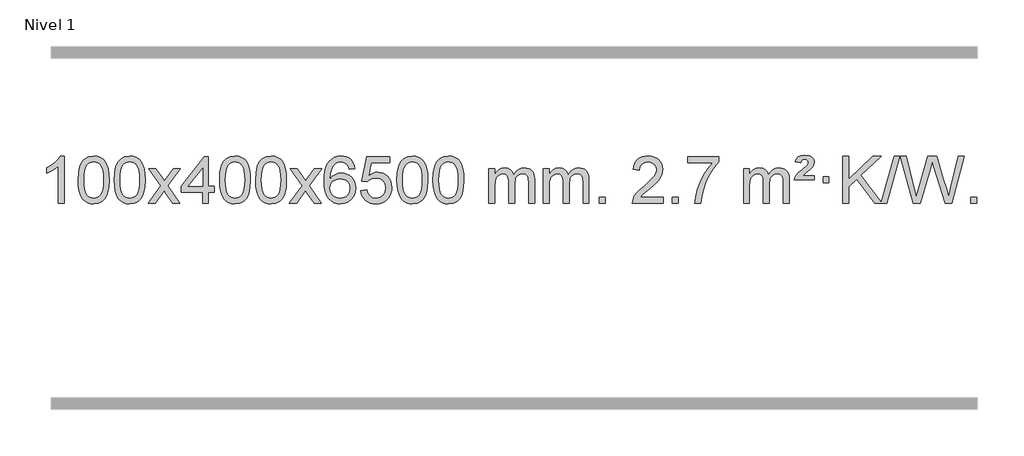
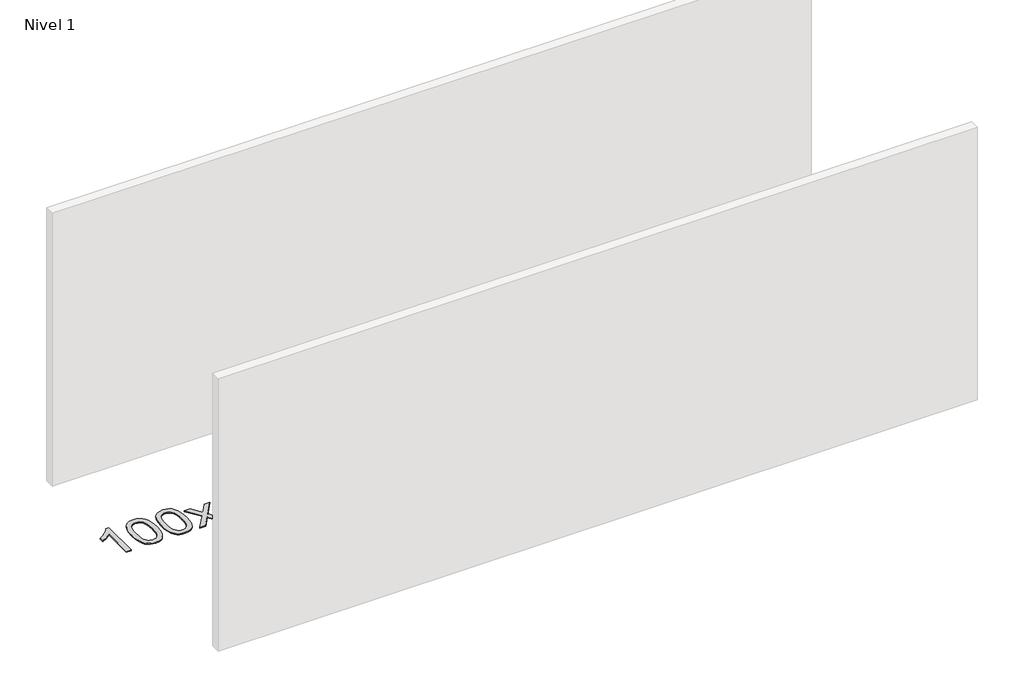
# One storey, part 3 of 25: 1 proxy.
"""IFC4 building model written with IfcOpenShell, lengths in millimetres."""

from ifc_helpers import new_model, si_unit, origin, origin_with_axes, place, context, project, spatial, polyline, outline, extrude, element, save

model = new_model("IFC4")

# Units and contexts
model_context = context("Model", 3, world=origin())
ifc_project = project(units=[si_unit("LENGTHUNIT", "METRE", prefix="MILLI")], contexts=[model_context])

# Site, building, storey
site = spatial("IfcSite", under=ifc_project)
building = spatial("IfcBuilding", under=site)
storey = spatial("IfcBuildingStorey", under=building, Name="Nivel 1", Elevation=0.0)

# Proxy
placement = place(None, origin())
element("IfcBuildingElementProxy", 1, Name="Texto de modelo 1", ObjectType="Texto de modelo 1", at=placement, inside=storey, context=model_context, shape_type="SweptSolid", body=[
    extrude(outline(polyline([(-12921.6378538, -18485.579453), (-12971.8660089, -18485.579453), (-12971.8660089, -18172.4382987), (-12992.8352826, -18189.3976587), (-13019.4454136, -18206.3324932), (-13072.3223191, -18231.6918254), (-13072.3223191, -18184.2105225), (-13032.8731065, -18162.7507395), (-12998.6968691, -18137.219729), (-12971.7556443, -18110.0700378), (-12954.0114694, -18083.7542124), (-12921.6378538, -18083.7542124), (-12921.6378538, -18485.579453)])), origin_with_axes(), (0.0, 0.0, 1.0), 10.0),
    extrude(outline(polyline([(-12802.3459855, -18287.9041943), (-12798.6549029, -18223.5861588), (-12787.5816548, -18172.2911459), (-12769.236606, -18133.2343407), (-12757.378543, -18118.0009605), (-12743.730121, -18105.6309284), (-12728.2453547, -18096.0598651), (-12710.8782588, -18089.2233914), (-12670.4970785, -18083.7542124), (-12639.5459399, -18086.991574), (-12611.832163, -18096.7036586), (-12588.6555973, -18112.5103217), (-12571.3160926, -18134.0314184), (-12558.2194935, -18161.0830078), (-12547.7716449, -18193.4811488), (-12540.9290398, -18234.6226186), (-12538.6481714, -18287.9041943), (-12542.3024659, -18351.8543477), (-12553.2653493, -18403.0267333), (-12571.5000336, -18442.1203266), (-12583.3305054, -18457.3996922), (-12596.9697304, -18469.8341036), (-12612.4728908, -18479.4695462), (-12629.8951689, -18486.3520052), (-12670.4970785, -18491.8579724), (-12698.1618045, -18489.4667394), (-12722.6872709, -18482.2930405), (-12744.0734775, -18470.3368757), (-12762.3204245, -18453.5982449), (-12779.8316074, -18423.3399508), (-12792.3395953, -18385.6381776), (-12799.844388, -18340.4929255), (-12802.3459855, -18287.9041943)]), holes=[polyline([(-12752.1178305, -18287.8060924), (-12750.6463025, -18331.4706195), (-12746.2317185, -18366.8148822), (-12738.8740786, -18393.8388804), (-12728.5733828, -18412.5426142), (-12716.1144459, -18425.2682656), (-12702.2820829, -18434.3580165), (-12687.0762937, -18439.8118671), (-12670.4970785, -18441.6298173), (-12653.9178632, -18439.8057357), (-12638.7120741, -18434.3334911), (-12624.8797111, -18425.2130833), (-12612.4207742, -18412.4445124), (-12602.1200783, -18393.7101217), (-12594.7624384, -18366.6922549), (-12590.3478545, -18331.3909118), (-12588.8763265, -18287.8060924), (-12590.2988035, -18245.2973278), (-12594.5662347, -18210.5753989), (-12601.6786199, -18183.6403055), (-12611.6359592, -18164.4920476), (-12623.8864297, -18151.1440625), (-12637.8782082, -18141.6097875), (-12653.6112949, -18135.8892225), (-12671.0856897, -18133.9823675), (-12687.5790658, -18135.6623619), (-12702.5273375, -18140.7023452), (-12715.9305049, -18149.1023175), (-12727.7885679, -18160.8622786), (-12738.4326203, -18181.708925), (-12746.0355148, -18209.8151094), (-12750.5972516, -18245.1808319), (-12752.1178305, -18287.8060924)])]), origin_with_axes(), (0.0, 0.0, 1.0), 10.0),
    extrude(outline(polyline([(-12494.6985357, -18287.9041943), (-12491.007453, -18223.5861588), (-12479.934205, -18172.2911459), (-12461.5891561, -18133.2343407), (-12449.7310932, -18118.0009605), (-12436.0826711, -18105.6309284), (-12420.5979048, -18096.0598651), (-12403.230809, -18089.2233914), (-12362.8496286, -18083.7542124), (-12331.8984901, -18086.991574), (-12304.1847131, -18096.7036586), (-12281.0081474, -18112.5103217), (-12263.6686427, -18134.0314184), (-12250.5720437, -18161.0830078), (-12240.1241951, -18193.4811488), (-12233.2815899, -18234.6226186), (-12231.0007216, -18287.9041943), (-12234.6550161, -18351.8543477), (-12245.6178995, -18403.0267333), (-12263.8525837, -18442.1203266), (-12275.6830556, -18457.3996922), (-12289.3222805, -18469.8341036), (-12304.825441, -18479.4695462), (-12322.2477191, -18486.3520052), (-12362.8496286, -18491.8579724), (-12390.5143547, -18489.4667394), (-12415.039821, -18482.2930405), (-12436.4260277, -18470.3368757), (-12454.6729746, -18453.5982449), (-12472.1841576, -18423.3399508), (-12484.6921454, -18385.6381776), (-12492.1969381, -18340.4929255), (-12494.6985357, -18287.9041943)]), holes=[polyline([(-12444.4703806, -18287.8060924), (-12442.9988527, -18331.4706195), (-12438.5842687, -18366.8148822), (-12431.2266288, -18393.8388804), (-12420.9259329, -18412.5426142), (-12408.466996, -18425.2682656), (-12394.634633, -18434.3580165), (-12379.4288439, -18439.8118671), (-12362.8496286, -18441.6298173), (-12346.2704134, -18439.8057357), (-12331.0646243, -18434.3334911), (-12317.2322612, -18425.2130833), (-12304.7733243, -18412.4445124), (-12294.4726285, -18393.7101217), (-12287.1149886, -18366.6922549), (-12282.7004046, -18331.3909118), (-12281.2288766, -18287.8060924), (-12282.6513537, -18245.2973278), (-12286.9187848, -18210.5753989), (-12294.0311701, -18183.6403055), (-12303.9885094, -18164.4920476), (-12316.2389799, -18151.1440625), (-12330.2307584, -18141.6097875), (-12345.9638451, -18135.8892225), (-12363.4382398, -18133.9823675), (-12379.931616, -18135.6623619), (-12394.8798877, -18140.7023452), (-12408.283055, -18149.1023175), (-12420.141118, -18160.8622786), (-12430.7851704, -18181.708925), (-12438.388065, -18209.8151094), (-12442.9498017, -18245.1808319), (-12444.4703806, -18287.8060924)])]), origin_with_axes(), (0.0, 0.0, 1.0), 10.0),
    extrude(outline(polyline([(-12205.886644, -18485.579453), (-12098.5632033, -18337.1513307), (-12199.6081246, -18190.4890419), (-12139.3735793, -18190.4890419), (-12090.6169522, -18261.2204869), (-12067.7592176, -18294.4770192), (-12047.9426408, -18267.2047007), (-11992.416985, -18190.4890419), (-11931.9862359, -18190.4890419), (-12038.1324542, -18337.2494325), (-11935.9103105, -18485.579453), (-11996.2429577, -18485.579453), (-12057.8509292, -18396.3067555), (-12069.0345418, -18379.923744), (-12145.455895, -18485.579453), (-12205.886644, -18485.579453)])), origin_with_axes(), (0.0, 0.0, 1.0), 10.0),
    extrude(outline(polyline([(-11741.2762096, -18485.579453), (-11741.2762096, -18391.4016622), (-11923.3532717, -18391.4016622), (-11923.3532717, -18341.1735072), (-11728.7191708, -18090.0327318), (-11691.0480545, -18090.0327318), (-11691.0480545, -18341.1735072), (-11640.8198994, -18341.1735072), (-11640.8198994, -18391.4016622), (-11691.0480545, -18391.4016622), (-11691.0480545, -18485.579453), (-11741.2762096, -18485.579453)]), holes=[polyline([(-11741.2762096, -18341.1735072), (-11741.2762096, -18185.9763561), (-11861.5490965, -18341.1735072), (-11741.2762096, -18341.1735072)])]), origin_with_axes(), (0.0, 0.0, 1.0), 10.0),
    extrude(outline(polyline([(-11596.8702638, -18287.9041943), (-11593.1791811, -18223.5861588), (-11582.105933, -18172.2911459), (-11563.7608842, -18133.2343407), (-11551.9028212, -18118.0009605), (-11538.2543992, -18105.6309284), (-11522.7696329, -18096.0598651), (-11505.402537, -18089.2233914), (-11465.0213567, -18083.7542124), (-11434.0702182, -18086.991574), (-11406.3564412, -18096.7036586), (-11383.1798755, -18112.5103217), (-11365.8403708, -18134.0314184), (-11352.7437718, -18161.0830078), (-11342.2959231, -18193.4811488), (-11335.453318, -18234.6226186), (-11333.1724496, -18287.9041943), (-11336.8267441, -18351.8543477), (-11347.7896275, -18403.0267333), (-11366.0243118, -18442.1203266), (-11377.8547836, -18457.3996922), (-11391.4940086, -18469.8341036), (-11406.997169, -18479.4695462), (-11424.4194471, -18486.3520052), (-11465.0213567, -18491.8579724), (-11492.6860827, -18489.4667394), (-11517.2115491, -18482.2930405), (-11538.5977557, -18470.3368757), (-11556.8447027, -18453.5982449), (-11574.3558856, -18423.3399508), (-11586.8638735, -18385.6381776), (-11594.3686662, -18340.4929255), (-11596.8702638, -18287.9041943)]), holes=[polyline([(-11546.6421087, -18287.8060924), (-11545.1705807, -18331.4706195), (-11540.7559968, -18366.8148822), (-11533.3983568, -18393.8388804), (-11523.097661, -18412.5426142), (-11510.6387241, -18425.2682656), (-11496.8063611, -18434.3580165), (-11481.6005719, -18439.8118671), (-11465.0213567, -18441.6298173), (-11448.4421414, -18439.8057357), (-11433.2363523, -18434.3334911), (-11419.4039893, -18425.2130833), (-11406.9450524, -18412.4445124), (-11396.6443565, -18393.7101217), (-11389.2867166, -18366.6922549), (-11384.8721327, -18331.3909118), (-11383.4006047, -18287.8060924), (-11384.8230817, -18245.2973278), (-11389.0905129, -18210.5753989), (-11396.2028981, -18183.6403055), (-11406.1602375, -18164.4920476), (-11418.4107079, -18151.1440625), (-11432.4024864, -18141.6097875), (-11448.1355731, -18135.8892225), (-11465.6099679, -18133.9823675), (-11482.103344, -18135.6623619), (-11497.0516157, -18140.7023452), (-11510.4547831, -18149.1023175), (-11522.3128461, -18160.8622786), (-11532.9568985, -18181.708925), (-11540.559793, -18209.8151094), (-11545.1215298, -18245.1808319), (-11546.6421087, -18287.8060924)])]), origin_with_axes(), (0.0, 0.0, 1.0), 10.0),
    extrude(outline(polyline([(-11289.2228139, -18287.9041943), (-11285.5317312, -18223.5861588), (-11274.4584832, -18172.2911459), (-11256.1134344, -18133.2343407), (-11244.2553714, -18118.0009605), (-11230.6069494, -18105.6309284), (-11215.122183, -18096.0598651), (-11197.7550872, -18089.2233914), (-11157.3739068, -18083.7542124), (-11126.4227683, -18086.991574), (-11098.7089913, -18096.7036586), (-11075.5324257, -18112.5103217), (-11058.1929209, -18134.0314184), (-11045.0963219, -18161.0830078), (-11034.6484733, -18193.4811488), (-11027.8058681, -18234.6226186), (-11025.5249998, -18287.9041943), (-11029.1792943, -18351.8543477), (-11040.1421777, -18403.0267333), (-11058.3768619, -18442.1203266), (-11070.2073338, -18457.3996922), (-11083.8465587, -18469.8341036), (-11099.3497192, -18479.4695462), (-11116.7719973, -18486.3520052), (-11157.3739068, -18491.8579724), (-11185.0386329, -18489.4667394), (-11209.5640992, -18482.2930405), (-11230.9503059, -18470.3368757), (-11249.1972528, -18453.5982449), (-11266.7084358, -18423.3399508), (-11279.2164236, -18385.6381776), (-11286.7212164, -18340.4929255), (-11289.2228139, -18287.9041943)]), holes=[polyline([(-11238.9946588, -18287.8060924), (-11237.5231309, -18331.4706195), (-11233.1085469, -18366.8148822), (-11225.750907, -18393.8388804), (-11215.4502112, -18412.5426142), (-11202.9912742, -18425.2682656), (-11189.1589112, -18434.3580165), (-11173.9531221, -18439.8118671), (-11157.3739068, -18441.6298173), (-11140.7946916, -18439.8057357), (-11125.5889025, -18434.3334911), (-11111.7565394, -18425.2130833), (-11099.2976025, -18412.4445124), (-11088.9969067, -18393.7101217), (-11081.6392668, -18366.6922549), (-11077.2246828, -18331.3909118), (-11075.7531548, -18287.8060924), (-11077.1756319, -18245.2973278), (-11081.443063, -18210.5753989), (-11088.5554483, -18183.6403055), (-11098.5127876, -18164.4920476), (-11110.7632581, -18151.1440625), (-11124.7550366, -18141.6097875), (-11140.4881233, -18135.8892225), (-11157.962518, -18133.9823675), (-11174.4558942, -18135.6623619), (-11189.4041659, -18140.7023452), (-11202.8073333, -18149.1023175), (-11214.6653962, -18160.8622786), (-11225.3094486, -18181.708925), (-11232.9123432, -18209.8151094), (-11237.4740799, -18245.1808319), (-11238.9946588, -18287.8060924)])]), origin_with_axes(), (0.0, 0.0, 1.0), 10.0),
    extrude(outline(polyline([(-11000.4109222, -18485.579453), (-10893.0874815, -18337.1513307), (-10994.1324029, -18190.4890419), (-10933.8978575, -18190.4890419), (-10885.1412304, -18261.2204869), (-10862.2834958, -18294.4770192), (-10842.466919, -18267.2047007), (-10786.9412632, -18190.4890419), (-10726.5105141, -18190.4890419), (-10832.6567324, -18337.2494325), (-10730.4345887, -18485.579453), (-10790.7672359, -18485.579453), (-10852.3752074, -18396.3067555), (-10863.55882, -18379.923744), (-10939.9801732, -18485.579453), (-11000.4109222, -18485.579453)])), origin_with_axes(), (0.0, 0.0, 1.0), 10.0),
    extrude(outline(polyline([(-10441.622697, -18190.4890419), (-10491.8508521, -18196.7675613), (-10499.944256, -18171.874213), (-10510.882614, -18154.8780648), (-10533.6667722, -18139.2062918), (-10561.2088709, -18133.9823675), (-10584.5571149, -18137.0235253), (-10606.5319327, -18146.1469988), (-10625.4042791, -18165.3627017), (-10640.8185347, -18191.8134171), (-10651.2295951, -18229.227016), (-10655.0923561, -18281.3313693), (-10634.9446855, -18257.8237098), (-10610.7993639, -18241.2567573), (-10584.0052919, -18231.434308), (-10555.9113702, -18228.1601582), (-10531.7783113, -18230.398107), (-10509.5091879, -18237.1119534), (-10489.1039999, -18248.3016975), (-10470.5627473, -18263.9673391), (-10455.1546231, -18283.1769106), (-10444.1488201, -18304.9984443), (-10437.5453383, -18329.4319401), (-10435.3441776, -18356.4773982), (-10439.4889815, -18392.4439945), (-10451.9233929, -18425.786366), (-10471.6173424, -18454.0642287), (-10497.5407603, -18474.8372987), (-10528.5164243, -18487.602804), (-10563.367112, -18491.8579724), (-10593.3096407, -18489.0375437), (-10620.352033, -18480.5762579), (-10644.494289, -18466.4741147), (-10665.7364085, -18446.7311143), (-10683.0544534, -18420.5133908), (-10695.4244855, -18386.9870783), (-10702.8465048, -18346.1521768), (-10705.3205112, -18298.0086864), (-10702.5736589, -18244.0342663), (-10694.3331023, -18197.9693092), (-10680.5988411, -18159.8138149), (-10661.3708755, -18129.5677835), (-10640.5303605, -18109.5243462), (-10616.3666447, -18095.2076052), (-10588.8797283, -18086.6175606), (-10558.0696112, -18083.7542124), (-10534.9359651, -18085.5261773), (-10513.9973482, -18090.8420722), (-10495.2537606, -18099.7018969), (-10478.7052021, -18112.1056515), (-10464.7992627, -18127.6364031), (-10453.9835321, -18145.8772186), (-10446.2580102, -18166.8280983), (-10441.622697, -18190.4890419)]), holes=[polyline([(-10655.0923561, -18355.6925832), (-10652.1860883, -18377.9494439), (-10643.4672851, -18399.2007605), (-10629.9292276, -18417.472233), (-10612.5651975, -18430.7895612), (-10591.6081865, -18438.9197533), (-10567.2911866, -18441.6298173), (-10534.1450188, -18436.0134855), (-10520.2298823, -18428.9930708), (-10508.0867108, -18419.1644901), (-10498.2366704, -18406.9262824), (-10491.2009272, -18392.6769865), (-10485.5723327, -18358.1451299), (-10491.1273508, -18324.9989621), (-10498.0711235, -18311.3781312), (-10507.7924052, -18299.725469), (-10519.972365, -18290.3904634), (-10534.2921716, -18283.7226022), (-10569.3513258, -18278.3883133), (-10602.4484426, -18283.7226022), (-10630.1254314, -18299.725469), (-10641.0484609, -18311.2248471), (-10648.8506249, -18324.3858254), (-10653.5319233, -18339.2084042), (-10655.0923561, -18355.6925832)])]), origin_with_axes(), (0.0, 0.0, 1.0), 10.0),
    extrude(outline(polyline([(-10391.394542, -18378.8446235), (-10341.1663869, -18372.5661041), (-10331.9448115, -18402.7201649), (-10315.8561056, -18424.3148381), (-10292.9738455, -18437.3010725), (-10263.3716076, -18441.6298173), (-10244.2417439, -18440.1245668), (-10227.368223, -18435.6088153), (-10212.7510451, -18428.0825628), (-10200.3902101, -18417.5458094), (-10190.5616294, -18404.519721), (-10183.5412147, -18389.5254641), (-10177.9248829, -18353.6324441), (-10183.1855954, -18319.8363514), (-10189.7614861, -18305.9181493), (-10198.967733, -18293.9865099), (-10210.834993, -18284.4154467), (-10225.393923, -18277.5789729), (-10262.5867927, -18272.1097939), (-10286.9528435, -18274.2925604), (-10306.6835812, -18280.8408599), (-10322.4411933, -18290.8717757), (-10334.8878675, -18303.5023908), (-10385.1160226, -18297.2238715), (-10341.1663869, -18090.0327318), (-10146.532286, -18090.0327318), (-10146.532286, -18140.2608869), (-10300.5522146, -18140.2608869), (-10322.134625, -18250.919791), (-10304.4088442, -18238.2155994), (-10286.2538677, -18229.1411769), (-10267.6696956, -18223.6965234), (-10248.6563278, -18221.8816388), (-10224.1921751, -18224.1318504), (-10201.7145852, -18230.882485), (-10181.2235581, -18242.1335427), (-10162.7190938, -18257.8850234), (-10147.3968087, -18277.1743027), (-10136.4523193, -18299.038756), (-10129.8856257, -18323.4783832), (-10127.6967278, -18350.4931844), (-10129.6648965, -18376.5147042), (-10135.5694025, -18400.7213394), (-10145.4102459, -18423.1130902), (-10159.1874266, -18443.6899565), (-10180.0585985, -18464.7634634), (-10204.4123865, -18479.8159684), (-10232.2487908, -18488.8474714), (-10263.5678114, -18491.8579724), (-10289.4881636, -18489.9235262), (-10312.9007869, -18484.1201877), (-10333.8056813, -18474.447957), (-10352.2028467, -18460.9068338), (-10367.5098034, -18444.1712688), (-10379.1440715, -18424.915712), (-10387.105651, -18403.1401636), (-10391.394542, -18378.8446235)])), origin_with_axes(), (0.0, 0.0, 1.0), 10.0),
    extrude(outline(polyline([(-10083.7470921, -18287.9041943), (-10080.0560094, -18223.5861588), (-10068.9827614, -18172.2911459), (-10050.6377126, -18133.2343407), (-10038.7796496, -18118.0009605), (-10025.1312276, -18105.6309284), (-10009.6464612, -18096.0598651), (-9992.2793654, -18089.2233914), (-9951.8981851, -18083.7542124), (-9920.9470465, -18086.991574), (-9893.2332696, -18096.7036586), (-9870.0567039, -18112.5103217), (-9852.7171992, -18134.0314184), (-9839.6206001, -18161.0830078), (-9829.1727515, -18193.4811488), (-9822.3301463, -18234.6226186), (-9820.049278, -18287.9041943), (-9823.7035725, -18351.8543477), (-9834.6664559, -18403.0267333), (-9852.9011401, -18442.1203266), (-9864.731612, -18457.3996922), (-9878.3708369, -18469.8341036), (-9893.8739974, -18479.4695462), (-9911.2962755, -18486.3520052), (-9951.8981851, -18491.8579724), (-9979.5629111, -18489.4667394), (-10004.0883774, -18482.2930405), (-10025.4745841, -18470.3368757), (-10043.721531, -18453.5982449), (-10061.232714, -18423.3399508), (-10073.7407019, -18385.6381776), (-10081.2454946, -18340.4929255), (-10083.7470921, -18287.9041943)]), holes=[polyline([(-10033.518937, -18287.8060924), (-10032.0474091, -18331.4706195), (-10027.6328251, -18366.8148822), (-10020.2751852, -18393.8388804), (-10009.9744894, -18412.5426142), (-9997.5155525, -18425.2682656), (-9983.6831894, -18434.3580165), (-9968.4774003, -18439.8118671), (-9951.8981851, -18441.6298173), (-9935.3189698, -18439.8057357), (-9920.1131807, -18434.3334911), (-9906.2808176, -18425.2130833), (-9893.8218807, -18412.4445124), (-9883.5211849, -18393.7101217), (-9876.163545, -18366.6922549), (-9871.748961, -18331.3909118), (-9870.2774331, -18287.8060924), (-9871.6999101, -18245.2973278), (-9875.9673412, -18210.5753989), (-9883.0797265, -18183.6403055), (-9893.0370658, -18164.4920476), (-9905.2875363, -18151.1440625), (-9919.2793148, -18141.6097875), (-9935.0124015, -18135.8892225), (-9952.4867962, -18133.9823675), (-9968.9801724, -18135.6623619), (-9983.9284441, -18140.7023452), (-9997.3316115, -18149.1023175), (-10009.1896744, -18160.8622786), (-10019.8337268, -18181.708925), (-10027.4366214, -18209.8151094), (-10031.9983581, -18245.1808319), (-10033.518937, -18287.8060924)])]), origin_with_axes(), (0.0, 0.0, 1.0), 10.0),
    extrude(outline(polyline([(-9776.0996423, -18287.9041943), (-9772.4085596, -18223.5861588), (-9761.3353115, -18172.2911459), (-9742.9902627, -18133.2343407), (-9731.1321997, -18118.0009605), (-9717.4837777, -18105.6309284), (-9701.9990114, -18096.0598651), (-9684.6319156, -18089.2233914), (-9644.2507352, -18083.7542124), (-9613.2995967, -18086.991574), (-9585.5858197, -18096.7036586), (-9562.409254, -18112.5103217), (-9545.0697493, -18134.0314184), (-9531.9731503, -18161.0830078), (-9521.5253016, -18193.4811488), (-9514.6826965, -18234.6226186), (-9512.4018281, -18287.9041943), (-9516.0561226, -18351.8543477), (-9527.0190061, -18403.0267333), (-9545.2536903, -18442.1203266), (-9557.0841621, -18457.3996922), (-9570.7233871, -18469.8341036), (-9586.2265475, -18479.4695462), (-9603.6488257, -18486.3520052), (-9644.2507352, -18491.8579724), (-9671.9154613, -18489.4667394), (-9696.4409276, -18482.2930405), (-9717.8271343, -18470.3368757), (-9736.0740812, -18453.5982449), (-9753.5852642, -18423.3399508), (-9766.093252, -18385.6381776), (-9773.5980447, -18340.4929255), (-9776.0996423, -18287.9041943)]), holes=[polyline([(-9725.8714872, -18287.8060924), (-9724.3999592, -18331.4706195), (-9719.9853753, -18366.8148822), (-9712.6277354, -18393.8388804), (-9702.3270395, -18412.5426142), (-9689.8681026, -18425.2682656), (-9676.0357396, -18434.3580165), (-9660.8299505, -18439.8118671), (-9644.2507352, -18441.6298173), (-9627.67152, -18439.8057357), (-9612.4657308, -18434.3334911), (-9598.6333678, -18425.2130833), (-9586.1744309, -18412.4445124), (-9575.873735, -18393.7101217), (-9568.5160951, -18366.6922549), (-9564.1015112, -18331.3909118), (-9562.6299832, -18287.8060924), (-9564.0524603, -18245.2973278), (-9568.3198914, -18210.5753989), (-9575.4322767, -18183.6403055), (-9585.389616, -18164.4920476), (-9597.6400864, -18151.1440625), (-9611.631865, -18141.6097875), (-9627.3649516, -18135.8892225), (-9644.8393464, -18133.9823675), (-9661.3327225, -18135.6623619), (-9676.2809943, -18140.7023452), (-9689.6841616, -18149.1023175), (-9701.5422246, -18160.8622786), (-9712.186277, -18181.708925), (-9719.7891716, -18209.8151094), (-9724.3509083, -18245.1808319), (-9725.8714872, -18287.8060924)])]), origin_with_axes(), (0.0, 0.0, 1.0), 10.0),
    extrude(outline(polyline([(-9298.9321691, -18485.579453), (-9298.9321691, -18190.4890419), (-9248.704014, -18190.4890419), (-9248.704014, -18239.0494653), (-9233.5963267, -18216.7435537), (-9214.1721574, -18199.2691589), (-9191.0936936, -18187.9751816), (-9165.0231228, -18184.2105225), (-9137.0886167, -18188.048758), (-9114.6968659, -18199.5634645), (-9097.9704978, -18217.9943524), (-9087.0321399, -18242.5811324), (-9068.7238792, -18217.0439906), (-9047.8404446, -18198.803175), (-9024.3818361, -18187.8586857), (-8998.3480536, -18184.2105225), (-8978.2402368, -18185.7280358), (-8960.5910981, -18190.2805755), (-8945.4006374, -18197.8681416), (-8932.6688547, -18208.4907342), (-8922.6042164, -18222.2709806), (-8915.4151891, -18239.3315082), (-8911.1017727, -18259.6723168), (-8909.6639672, -18283.2934066), (-8909.6639672, -18485.579453), (-8959.8921223, -18485.579453), (-8959.8921223, -18304.875817), (-8961.057082, -18279.8230531), (-8964.5519609, -18262.9372695), (-8971.1002604, -18251.3735121), (-8981.4254818, -18242.2868268), (-8994.7060218, -18236.4007149), (-9010.1202774, -18234.4386776), (-9037.3312823, -18239.4663982), (-9059.5145666, -18254.54956), (-9068.1199396, -18266.1194488), (-9074.2666346, -18280.7182326), (-9079.1839906, -18319.0024856), (-9079.1839906, -18485.579453), (-9129.4121457, -18485.579453), (-9129.4121457, -18299.2840106), (-9132.3184135, -18270.8835206), (-9141.0372167, -18250.6254854), (-9156.3778959, -18238.4853796), (-9179.1497914, -18234.4386776), (-9198.5003844, -18237.1364789), (-9216.3303984, -18245.2298828), (-9231.0456782, -18258.5226856), (-9241.0520685, -18276.8186835), (-9246.7910276, -18302.2025411), (-9248.704014, -18336.7589232), (-9248.704014, -18485.579453), (-9298.9321691, -18485.579453)])), origin_with_axes(), (0.0, 0.0, 1.0), 10.0),
    extrude(outline(polyline([(-8834.3217346, -18485.579453), (-8834.3217346, -18190.4890419), (-8784.0935796, -18190.4890419), (-8784.0935796, -18239.0494653), (-8768.9858923, -18216.7435537), (-8749.5617229, -18199.2691589), (-8726.4832591, -18187.9751816), (-8700.4126884, -18184.2105225), (-8672.4781822, -18188.048758), (-8650.0864315, -18199.5634645), (-8633.3600634, -18217.9943524), (-8622.4217054, -18242.5811324), (-8604.1134448, -18217.0439906), (-8583.2300102, -18198.803175), (-8559.7714016, -18187.8586857), (-8533.7376191, -18184.2105225), (-8513.6298024, -18185.7280358), (-8495.9806637, -18190.2805755), (-8480.790203, -18197.8681416), (-8468.0584202, -18208.4907342), (-8457.993782, -18222.2709806), (-8450.8047547, -18239.3315082), (-8446.4913383, -18259.6723168), (-8445.0535328, -18283.2934066), (-8445.0535328, -18485.579453), (-8495.2816879, -18485.579453), (-8495.2816879, -18304.875817), (-8496.4466475, -18279.8230531), (-8499.9415265, -18262.9372695), (-8506.489826, -18251.3735121), (-8516.8150473, -18242.2868268), (-8530.0955874, -18236.4007149), (-8545.509843, -18234.4386776), (-8572.7208479, -18239.4663982), (-8594.9041322, -18254.54956), (-8603.5095052, -18266.1194488), (-8609.6562002, -18280.7182326), (-8614.5735562, -18319.0024856), (-8614.5735562, -18485.579453), (-8664.8017113, -18485.579453), (-8664.8017113, -18299.2840106), (-8667.707979, -18270.8835206), (-8676.4267823, -18250.6254854), (-8691.7674615, -18238.4853796), (-8714.539357, -18234.4386776), (-8733.88995, -18237.1364789), (-8751.719964, -18245.2298828), (-8766.4352438, -18258.5226856), (-8776.4416341, -18276.8186835), (-8782.1805932, -18302.2025411), (-8784.0935796, -18336.7589232), (-8784.0935796, -18485.579453), (-8834.3217346, -18485.579453)])), origin_with_axes(), (0.0, 0.0, 1.0), 10.0),
    extrude(outline(polyline([(-8357.1542614, -18485.579453), (-8357.1542614, -18435.3512979), (-8306.9261064, -18435.3512979), (-8306.9261064, -18485.579453), (-8357.1542614, -18485.579453)])), origin_with_axes(), (0.0, 0.0, 1.0), 10.0),
    extrude(outline(polyline([(-7810.923075, -18435.3512979), (-7810.923075, -18485.579453), (-8074.6208891, -18485.579453), (-8073.5172431, -18467.8965918), (-8069.2252865, -18450.9494945), (-8056.8276633, -18423.8856424), (-8038.6665555, -18397.6311307), (-8012.4120437, -18370.1503456), (-7975.7342088, -18339.4076736), (-7921.5451909, -18291.2641831), (-7889.0612108, -18255.7267824), (-7872.8376148, -18226.884834), (-7867.4297494, -18198.8277005), (-7872.5433092, -18173.6768347), (-7887.8839884, -18152.7688747), (-7911.4652243, -18138.6789943), (-7941.3004541, -18133.9823675), (-7972.6317373, -18138.5686297), (-7996.9732627, -18152.3274163), (-8012.6818239, -18174.1796068), (-8018.1142147, -18203.0460807), (-8068.3423697, -18196.7675613), (-8064.022822, -18170.838012), (-8056.1654757, -18148.1826125), (-8044.7703309, -18128.8013627), (-8029.8373876, -18112.6942627), (-8011.7100023, -18100.0329907), (-7990.7315315, -18090.989225), (-7966.9019753, -18085.5629655), (-7940.2213336, -18083.7542124), (-7913.3015686, -18085.7653006), (-7889.3432536, -18091.7985654), (-7868.3463888, -18101.8540066), (-7850.3109739, -18115.9316242), (-7835.8256204, -18132.9890861), (-7825.4789393, -18151.9840598), (-7819.2709306, -18172.9165453), (-7817.2015944, -18195.7865427), (-7819.4334118, -18219.8092369), (-7826.1288641, -18243.4149983), (-7838.0114526, -18267.4254299), (-7855.8046784, -18292.6621347), (-7884.1683802, -18322.7916701), (-7927.7623967, -18361.4805933), (-7985.5443954, -18409.795762), (-8008.2059263, -18435.3512979), (-7810.923075, -18435.3512979)])), origin_with_axes(), (0.0, 0.0, 1.0), 10.0),
    extrude(outline(polyline([(-7735.5808424, -18485.579453), (-7735.5808424, -18435.3512979), (-7685.3526873, -18435.3512979), (-7685.3526873, -18485.579453), (-7735.5808424, -18485.579453)])), origin_with_axes(), (0.0, 0.0, 1.0), 10.0),
    extrude(outline(polyline([(-7603.7319353, -18140.2608869), (-7603.7319353, -18090.0327318), (-7340.0341212, -18090.0327318), (-7340.0341212, -18130.646904), (-7377.6193983, -18178.214046), (-7414.8367935, -18238.7061088), (-7447.6641302, -18306.6048623), (-7472.079232, -18376.3920768), (-7484.0476595, -18428.6067947), (-7490.7185864, -18485.579453), (-7540.9467415, -18485.579453), (-7535.5143507, -18433.8061935), (-7520.9830119, -18372.2717985), (-7497.7451325, -18307.0463207), (-7466.19312, -18244.1998132), (-7429.3558696, -18187.3865704), (-7390.2622762, -18140.2608869), (-7603.7319353, -18140.2608869)])), origin_with_axes(), (0.0, 0.0, 1.0), 10.0),
    extrude(outline(polyline([(-7126.5644621, -18485.579453), (-7126.5644621, -18190.4890419), (-7076.336307, -18190.4890419), (-7076.336307, -18239.0494653), (-7061.2286197, -18216.7435537), (-7041.8044504, -18199.2691589), (-7018.7259866, -18187.9751816), (-6992.6554158, -18184.2105225), (-6964.7209097, -18188.048758), (-6942.3291589, -18199.5634645), (-6925.6027909, -18217.9943524), (-6914.6644329, -18242.5811324), (-6896.3561722, -18217.0439906), (-6875.4727377, -18198.803175), (-6852.0141291, -18187.8586857), (-6825.9803466, -18184.2105225), (-6805.8725298, -18185.7280358), (-6788.2233911, -18190.2805755), (-6773.0329304, -18197.8681416), (-6760.3011477, -18208.4907342), (-6750.2365094, -18222.2709806), (-6743.0474821, -18239.3315082), (-6738.7340657, -18259.6723168), (-6737.2962603, -18283.2934066), (-6737.2962603, -18485.579453), (-6787.5244153, -18485.579453), (-6787.5244153, -18304.875817), (-6788.689375, -18279.8230531), (-6792.1842539, -18262.9372695), (-6798.7325535, -18251.3735121), (-6809.0577748, -18242.2868268), (-6822.3383148, -18236.4007149), (-6837.7525704, -18234.4386776), (-6864.9635753, -18239.4663982), (-6887.1468596, -18254.54956), (-6895.7522326, -18266.1194488), (-6901.8989276, -18280.7182326), (-6906.8162836, -18319.0024856), (-6906.8162836, -18485.579453), (-6957.0444387, -18485.579453), (-6957.0444387, -18299.2840106), (-6959.9507065, -18270.8835206), (-6968.6695098, -18250.6254854), (-6984.010189, -18238.4853796), (-7006.7820845, -18234.4386776), (-7026.1326774, -18237.1364789), (-7043.9626914, -18245.2298828), (-7058.6779713, -18258.5226856), (-7068.6843615, -18276.8186835), (-7074.4233206, -18302.2025411), (-7076.336307, -18336.7589232), (-7076.336307, -18485.579453), (-7126.5644621, -18485.579453)])), origin_with_axes(), (0.0, 0.0, 1.0), 10.0),
    extrude(outline(polyline([(-6693.3466246, -18284.6668327), (-6689.5206518, -18268.8479069), (-6681.1819933, -18252.9799302), (-6659.6731593, -18227.8413272), (-6627.7164766, -18200.1030247), (-6583.5706372, -18162.726214), (-6576.4337265, -18151.1992448), (-6574.0547563, -18139.3779701), (-6575.9432172, -18127.2869152), (-6581.6085999, -18117.5012541), (-6590.977328, -18111.026531), (-6603.9758252, -18108.8682899), (-6616.4102366, -18110.4869707), (-6625.26393, -18115.343013), (-6631.6896022, -18124.8098431), (-6636.8399501, -18140.2608869), (-6687.0681052, -18133.9823675), (-6676.2278491, -18108.7701881), (-6659.5995829, -18091.2099542), (-6635.834406, -18080.9092583), (-6603.5834178, -18077.475693), (-6567.8007624, -18081.6082341), (-6543.0545668, -18094.0058573), (-6528.6335926, -18112.3386434), (-6523.8266012, -18134.2766731), (-6527.9223541, -18157.1834586), (-6540.2096127, -18178.8149199), (-6560.737428, -18198.6314968), (-6597.2067965, -18226.6886303), (-6622.8113834, -18253.2742358), (-6523.8266012, -18253.2742358), (-6523.8266012, -18284.6668327), (-6693.3466246, -18284.6668327)])), origin_with_axes(), (0.0, 0.0, 1.0), 10.0),
    extrude(outline(polyline([(-6448.4843686, -18309.7809102), (-6448.4843686, -18259.5527552), (-6398.2562135, -18259.5527552), (-6398.2562135, -18309.7809102), (-6448.4843686, -18309.7809102)])), origin_with_axes(), (0.0, 0.0, 1.0), 10.0),
    extrude(outline(polyline([(-6007.6145856, -18485.579453), (-6161.1440049, -18282.9009991), (-6228.7361901, -18347.4520265), (-6228.7361901, -18485.579453), (-6278.9643452, -18485.579453), (-6278.9643452, -18083.7542124), (-6228.7361901, -18083.7542124), (-6228.7361901, -18280.4484525), (-6022.7222728, -18083.7542124), (-5952.4813372, -18083.7542124), (-6125.5330278, -18248.9577537), (-5950.7819943, -18479.5373449), (-5839.4679883, -18083.7542124), (-5793.9487228, -18083.7542124), (-5907.0601735, -18485.579453), (-5946.2028178, -18485.579453), (-5952.4813372, -18485.579453), (-6007.6145856, -18485.579453)])), origin_with_axes(), (0.0, 0.0, 1.0), 10.0),
    extrude(outline(polyline([(-5679.6600496, -18485.579453), (-5789.2398332, -18083.7542124), (-5737.4420483, -18083.7542124), (-5673.8720395, -18347.844434), (-5654.2516665, -18429.3670841), (-5633.2578673, -18357.2622131), (-5553.5991526, -18083.7542124), (-5478.943633, -18083.7542124), (-5421.0635325, -18282.0180823), (-5396.268286, -18355.5944814), (-5377.9968136, -18429.3670841), (-5358.9650517, -18350.1988788), (-5294.9045336, -18083.7542124), (-5243.0086468, -18083.7542124), (-5352.4903286, -18485.579453), (-5406.2501508, -18485.579453), (-5502.6842845, -18175.5775584), (-5516.12424, -18132.3146358), (-5531.2319273, -18184.4067263), (-5619.0330968, -18485.579453), (-5679.6600496, -18485.579453)])), origin_with_axes(), (0.0, 0.0, 1.0), 10.0),
    extrude(outline(polyline([(-5186.5019723, -18485.579453), (-5186.5019723, -18435.3512979), (-5136.2738173, -18435.3512979), (-5136.2738173, -18485.579453), (-5186.5019723, -18485.579453)])), origin_with_axes(), (0.0, 0.0, 1.0), 10.0),
])

save(model, "model.ifc")
